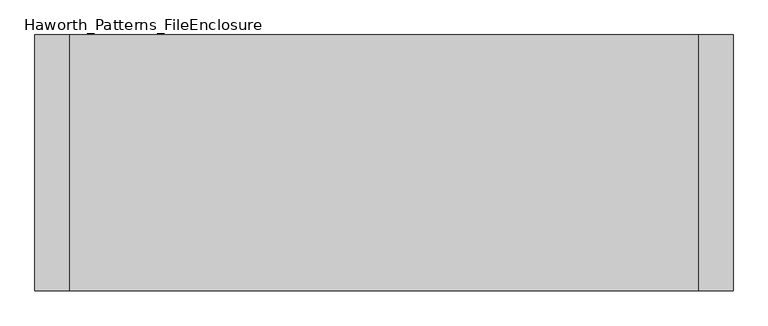
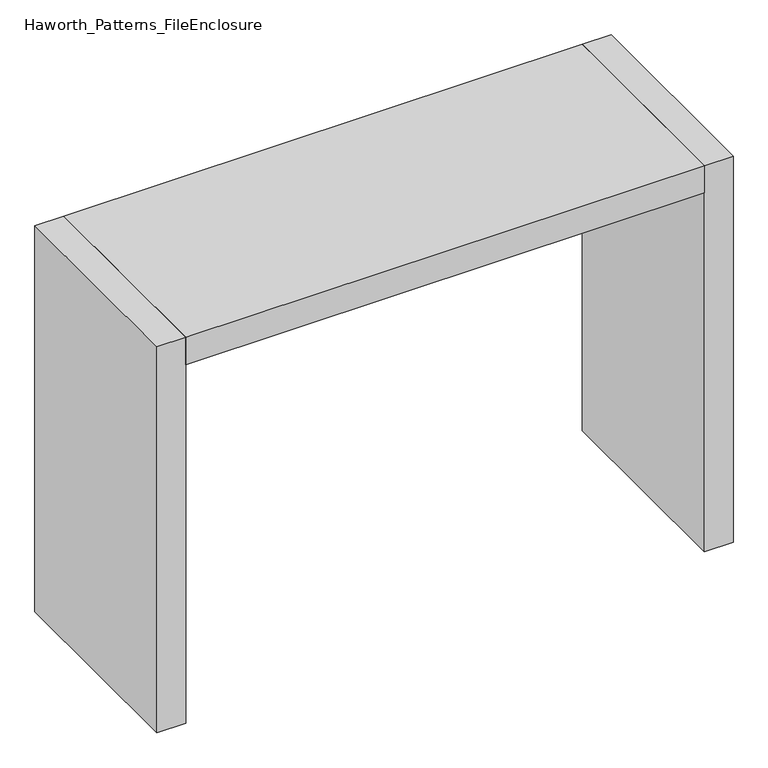
"""IFC4 building model written with IfcOpenShell, lengths in millimetres: furniture geometry, Haworth_Patterns_FileEnclosure."""

from ifc_helpers import new_model, si_unit, frame, origin, origin_with_axes, place, context, project, spatial, polyline, outline, extrude, source, transform, mapped, element, save


def haworth_patterns_fileenclosure_ed6415ac(model_context):
    return source(origin(), model_context, "Body", "SweptSolid", [
        extrude(outline(polyline([(685.8, 0.0), (685.8, -558.8), (-685.8, -558.8), (-685.8, 0.0), (685.8, 0.0)])), frame((0.0, 0.0, 1003.3), z_axis=(0.0, 0.0, 1.0), x_axis=(1.0, 0.0, 0.0)), (0.0, 0.0, 1.0), 76.2),
        extrude(outline(polyline([(685.8, 0.0), (762.0, 0.0), (762.0, -558.8), (685.8, -558.8), (685.8, 0.0)])), origin_with_axes(), (0.0, 0.0, 1.0), 1079.5),
        extrude(outline(polyline([(-685.8, 0.0), (-685.8, -558.8), (-762.0, -558.8), (-762.0, 0.0), (-685.8, 0.0)])), origin_with_axes(), (0.0, 0.0, 1.0), 1079.5),
    ])


if __name__ == "__main__":
    model = new_model("IFC4")
    model_context = context("Model", 3, world=origin())
    ifc_project = project(units=[si_unit("LENGTHUNIT", "METRE", prefix="MILLI")], contexts=[model_context])
    site = spatial("IfcSite", under=ifc_project)
    building = spatial("IfcBuilding", under=site)
    placement = place(None, origin())
    haworth_patterns_fileenclosure_shape = haworth_patterns_fileenclosure_ed6415ac(model_context)
    element("IfcFurniture", 1, ObjectType="Haworth_Patterns_FileEnclosure", at=placement, inside=building, context=model_context, shape_type="MappedRepresentation", body=[
        mapped(haworth_patterns_fileenclosure_shape, transform((0.0, 0.0, 0.0), x_axis=(1.0, 0.0, 0.0), y_axis=(0.0, 1.0, 0.0), z_axis=(0.0, 0.0, 1.0))),
    ])
    save(model, "model.ifc")
